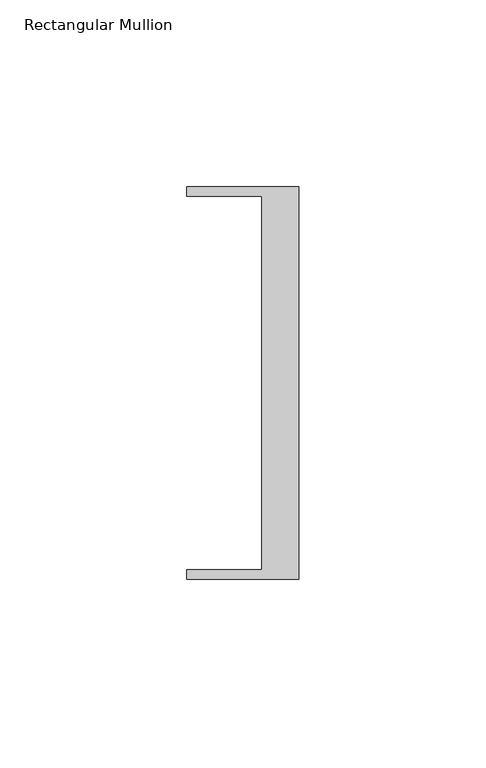
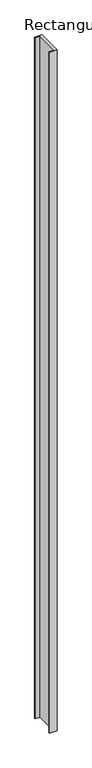
"""IFC4 building model written with IfcOpenShell, lengths in millimetres: member geometry, Rectangular Mullion."""

import ifcopenshell
import ifcopenshell.guid

model = None  # the IFC model being written
_history = None  # IfcOwnerHistory: only IFC2X3 demands one
_inside = {}  # id of a spatial element -> (the spatial element, [elements in it])
_under = {}  # id of a project, library or spatial element -> (it, [spatial elements below it])
_declared = {}  # id of a project -> (the project, [libraries it declares])
_typed = {}  # id of a type object -> (the type object, [elements of that type])
_made_of = {}  # id of a material, layer set ... -> (it, [elements and type objects made of it])


def new_model(schema):
    """Start an empty IFC model of exactly this schema.

    Asked for "IFC4X3", IfcOpenShell would pick the latest addendum, in which some entities
    have other attributes; the version numbers below select the first issue.
    IFC2X3 requires an IfcOwnerHistory on every rooted entity: one is made here for all.
    """
    global model, _history
    if schema == "IFC4X3":
        model = ifcopenshell.file(schema_version=(4, 3, 0, 0))
    else:
        model = ifcopenshell.file(schema=schema)
    _inside.clear()
    _under.clear()
    _declared.clear()
    _typed.clear()
    _made_of.clear()
    _history = None
    if model.schema == "IFC2X3":
        org = make("IfcOrganization", Name="unknown")
        user = make(
            "IfcPersonAndOrganization",
            ThePerson=make("IfcPerson", FamilyName="unknown"),
            TheOrganization=org,
        )
        app = make(
            "IfcApplication",
            ApplicationDeveloper=org,
            Version="unknown",
            ApplicationFullName="unknown",
            ApplicationIdentifier="unknown",
        )
        _history = make(
            "IfcOwnerHistory",
            OwningUser=user,
            OwningApplication=app,
            ChangeAction="ADDED",
            CreationDate=0,
        )
    return model


def make(cls, **values):
    """One entity of the class cls with the attributes given. An attribute that is None is left unset."""
    return model.create_entity(
        cls, **{name: value for name, value in values.items() if value is not None}
    )


def rooted(cls, **values):
    """An entity with a GlobalId (a new one), such as an element, a storey or a relation."""
    return make(cls, GlobalId=ifcopenshell.guid.new(), OwnerHistory=_history, **values)


def si_unit(unit_type, name, prefix=None):
    """IfcSIUnit, for example si_unit("LENGTHUNIT", "METRE", prefix="MILLI")."""
    return make("IfcSIUnit", UnitType=unit_type, Prefix=prefix, Name=name)


def assignment(units):
    """IfcUnitAssignment: the units of a project."""
    return None if units is None else make("IfcUnitAssignment", Units=units)


def point(xyz):
    """IfcCartesianPoint."""
    return None if xyz is None else make("IfcCartesianPoint", Coordinates=xyz)


def direction(xyz):
    """IfcDirection."""
    return None if xyz is None else make("IfcDirection", DirectionRatios=xyz)


def frame(location, z_axis=None, x_axis=None):
    """IfcAxis2Placement3D, a coordinate frame: its origin and axes. An axis left out is left unset."""
    return make(
        "IfcAxis2Placement3D",
        Location=point(location),
        Axis=direction(z_axis),
        RefDirection=direction(x_axis),
    )


def origin():
    """The frame at (0, 0, 0) with its axes left unset."""
    return frame((0.0, 0.0, 0.0))


def place(relative_to, where):
    """IfcLocalPlacement: puts the frame where relative to a parent placement (None: the world)."""
    return make(
        "IfcLocalPlacement", PlacementRelTo=relative_to, RelativePlacement=where
    )


def context(
    kind, dimensions, precision=None, world=None, true_north=None, identifier=None
):
    """IfcGeometricRepresentationContext, for example the 3D "Model" context."""
    return make(
        "IfcGeometricRepresentationContext",
        ContextIdentifier=identifier,
        ContextType=kind,
        CoordinateSpaceDimension=dimensions,
        Precision=precision,
        WorldCoordinateSystem=world,
        TrueNorth=true_north,
    )


def project(units=None, contexts=None):
    """IfcProject with its units and contexts."""
    return rooted(
        "IfcProject",
        Name="project",
        RepresentationContexts=contexts,
        UnitsInContext=assignment(units),
    )


def spatial(cls, under=None, at=None, **own):
    """A site, building, storey or space (cls), placed at a placement, below another one or the project."""
    s = rooted(cls, ObjectPlacement=at, **own)
    if under is not None:
        _under.setdefault(under.id(), (under, []))[1].append(s)
    return s


def polyline(points):
    """IfcPolyline through the points."""
    return make("IfcPolyline", Points=[point(p) for p in points])


def outline(outer, holes=None, kind="AREA"):
    """IfcArbitraryClosedProfileDef: a profile drawn as a closed curve; with holes, ...WithVoids."""
    if holes is None:
        return make("IfcArbitraryClosedProfileDef", ProfileType=kind, OuterCurve=outer)
    return make(
        "IfcArbitraryProfileDefWithVoids",
        ProfileType=kind,
        OuterCurve=outer,
        InnerCurves=holes,
    )


def extrude(swept, where, along, depth):
    """IfcExtrudedAreaSolid: the profile swept, set in the frame where, extruded along a direction by depth."""
    return make(
        "IfcExtrudedAreaSolid",
        SweptArea=swept,
        Position=where,
        ExtrudedDirection=direction(along),
        Depth=depth,
    )


def shape(context_of_items, identifier, shape_type, items):
    """IfcShapeRepresentation: the items that make up one representation, for example the "Body"."""
    return make(
        "IfcShapeRepresentation",
        ContextOfItems=context_of_items,
        RepresentationIdentifier=identifier,
        RepresentationType=shape_type,
        Items=items,
    )


def source(mapping_origin, context_of_items, identifier, shape_type, items):
    """IfcRepresentationMap: a shape defined once, which mapped items show again and again."""
    return make(
        "IfcRepresentationMap",
        MappingOrigin=mapping_origin,
        MappedRepresentation=shape(context_of_items, identifier, shape_type, items),
    )


def transform(
    local_origin,
    x_axis=None,
    y_axis=None,
    z_axis=None,
    scale=None,
    scale2=None,
    scale3=None,
    uniform=True,
):
    """IfcCartesianTransformationOperator3D, or its non-uniform kind. x_axis, y_axis, z_axis: its Axis1, 2, 3."""
    if uniform:
        return make(
            "IfcCartesianTransformationOperator3D",
            Axis1=direction(x_axis),
            Axis2=direction(y_axis),
            LocalOrigin=point(local_origin),
            Scale=scale,
            Axis3=direction(z_axis),
        )
    return make(
        "IfcCartesianTransformationOperator3DnonUniform",
        Axis1=direction(x_axis),
        Axis2=direction(y_axis),
        LocalOrigin=point(local_origin),
        Scale=scale,
        Axis3=direction(z_axis),
        Scale2=scale2,
        Scale3=scale3,
    )


def mapped(mapping_source, mapping_target):
    """IfcMappedItem: shows the shape of a source again, moved by a transform."""
    return make(
        "IfcMappedItem", MappingSource=mapping_source, MappingTarget=mapping_target
    )


def made_of(thing, what):
    """Note that an element or type object is made of a material, layer set ...; save() writes the relation."""
    if what is not None:
        _made_of.setdefault(what.id(), (what, []))[1].append(thing)
    return thing


def element(
    cls,
    number,
    at=None,
    inside=None,
    cuts=None,
    type_object=None,
    material=None,
    context=None,
    identifier="Body",
    shape_type=None,
    held_by="IfcProductDefinitionShape",
    body=None,
    shapes=None,
    **own,
):
    """One element of the class cls, such as IfcWall. Its Tag is "e" and its number.

    at: its placement. inside: the storey or other place that contains it. cuts: it is an
    opening in that element (IfcRelVoidsElement). A single representation is given by context,
    identifier, shape_type and body (its items); several are given by shapes. held_by: the class
    of the entity that holds the representations. save() writes the other relations.
    """
    e = rooted(cls, Tag="e%d" % number, ObjectPlacement=at, **own)
    if body is not None:
        shapes = [shape(context, identifier, shape_type, body)]
    if shapes is not None:
        e.Representation = make(held_by, Representations=shapes)
    if inside is not None:
        _inside.setdefault(inside.id(), (inside, []))[1].append(e)
    if cuts is not None:
        rooted(
            "IfcRelVoidsElement", RelatingBuildingElement=cuts, RelatedOpeningElement=e
        )
    if type_object is not None:
        _typed.setdefault(type_object.id(), (type_object, []))[1].append(e)
    return made_of(e, material)


def aggregate(whole, parts):
    """IfcRelAggregates: a whole, such as a stair, and the parts it consists of."""
    return rooted("IfcRelAggregates", RelatingObject=whole, RelatedObjects=parts)


def save(model, path):
    """Write the relations noted so far, then the file.

    IfcRelAggregates (storeys below a building ...), IfcRelContainedInSpatialStructure (elements
    in a storey), IfcRelDefinesByType, IfcRelAssociatesMaterial and IfcRelDeclares: one each for
    every whole, place, type object, material and project.
    """
    for whole, parts in _under.values():
        aggregate(whole, parts)
    for where, things in _inside.values():
        rooted(
            "IfcRelContainedInSpatialStructure",
            RelatedElements=things,
            RelatingStructure=where,
        )
    for kind, things in _typed.values():
        rooted("IfcRelDefinesByType", RelatedObjects=things, RelatingType=kind)
    for what, things in _made_of.values():
        rooted("IfcRelAssociatesMaterial", RelatedObjects=things, RelatingMaterial=what)
    for by, libraries in _declared.values():
        rooted("IfcRelDeclares", RelatingContext=by, RelatedDefinitions=libraries)
    model.write(path)


def rectangular_mullion_d3725b2f(model_context):
    return source(origin(), model_context, "Body", "SweptSolid", [
        extrude(outline(polyline([(-30.0, 52.5), (0.0, 52.5), (0.0, -52.5), (-30.0, -52.5), (-30.0, -50.0), (-10.0, -50.0), (-10.0, 50.0), (-30.0, 50.0), (-30.0, 52.5)])), frame((0.0, 0.0, -2930.0), z_axis=(0.0, 0.0, 1.0), x_axis=(1.0, 0.0, 0.0)), (0.0, 0.0, 1.0), 2930.0),
    ])


if __name__ == "__main__":
    model = new_model("IFC4")
    model_context = context("Model", 3, world=origin())
    ifc_project = project(units=[si_unit("LENGTHUNIT", "METRE", prefix="MILLI")], contexts=[model_context])
    site = spatial("IfcSite", under=ifc_project)
    building = spatial("IfcBuilding", under=site)
    placement = place(None, origin())
    rectangular_mullion_shape = rectangular_mullion_d3725b2f(model_context)
    element("IfcMember", 1, ObjectType="Rectangular Mullion", at=placement, inside=building, context=model_context, shape_type="MappedRepresentation", body=[
        mapped(rectangular_mullion_shape, transform((0.0, 0.0, 0.0), x_axis=(1.0, 0.0, 0.0), y_axis=(0.0, 1.0, 0.0), z_axis=(0.0, 0.0, 1.0))),
    ])
    save(model, "model.ifc")
